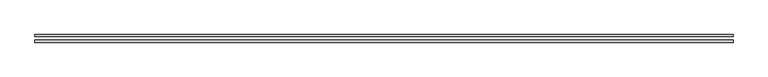
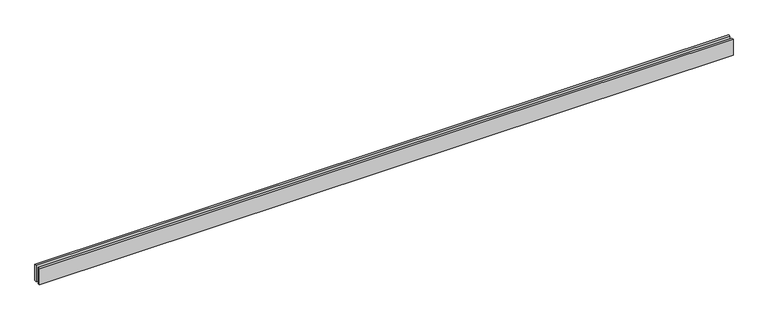
"""IFC4 building model written with IfcOpenShell, lengths in millimetres: proxy geometry."""

from ifc_helpers import new_model, si_unit, origin, origin_with_axes, place, context, project, spatial, polyline, outline, extrude, source, transform, mapped, element, save


def generic_models_fcfe5288(model_context):
    return source(origin(), model_context, "Body", "SweptSolid", [
        extrude(outline(polyline([(10110.0, 25.0), (0.0, 25.0), (0.0, 55.0), (10110.0, 55.0), (10110.0, 25.0)])), origin_with_axes(), (0.0, 0.0, 1.0), 250.0),
        extrude(outline(polyline([(10110.0, -55.0), (0.0, -55.0), (0.0, -25.0), (10110.0, -25.0), (10110.0, -55.0)])), origin_with_axes(), (0.0, 0.0, 1.0), 250.0),
    ])


if __name__ == "__main__":
    model = new_model("IFC4")
    model_context = context("Model", 3, world=origin())
    ifc_project = project(units=[si_unit("LENGTHUNIT", "METRE", prefix="MILLI")], contexts=[model_context])
    site = spatial("IfcSite", under=ifc_project)
    building = spatial("IfcBuilding", under=site)
    placement = place(None, origin())
    generic_models_shape = generic_models_fcfe5288(model_context)
    element("IfcBuildingElementProxy", 1, Name="Generic Models", at=placement, inside=building, context=model_context, shape_type="MappedRepresentation", body=[
        mapped(generic_models_shape, transform((0.0, 0.0, 0.0), x_axis=(1.0, 0.0, 0.0), y_axis=(0.0, 1.0, 0.0), z_axis=(0.0, 0.0, 1.0))),
    ])
    save(model, "model.ifc")
